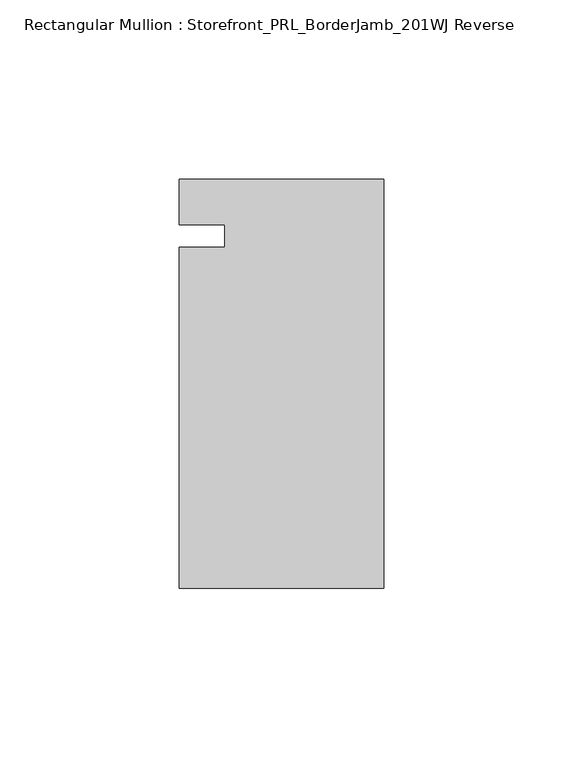
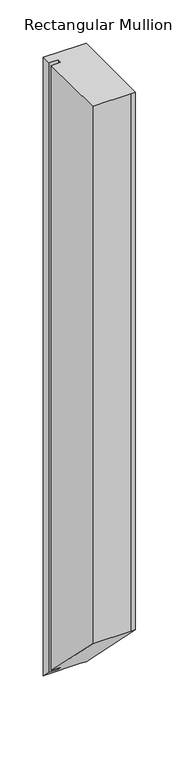
"""IFC4 building model written with IfcOpenShell, lengths in millimetres: member geometry, Rectangular Mullion : Storefront_PRL_BorderJamb_201WJ Reverse."""

from ifc_helpers import new_model, si_unit, origin, place, context, project, spatial, faceted_brep, source, transform, mapped, element, save


def rectangular_mullion_storefront_prl_borderjamb_201wj_reverse_74cff3a2(model_context):
    return source(origin(), model_context, "Body", "Brep", [
        faceted_brep([(-44.45, -3.175, 0.0), (-57.15, -3.175, 0.0), (-57.15, -98.425, 0.0), (-6.35, -98.425, 0.0), (0.0, -98.425, 0.0), (0.0, 15.875, 0.0), (-7.3958824, 15.875, 0.0), (-57.15, 15.875, 0.0), (-57.15, 3.175, 0.0), (-44.45, 3.175, 0.0), (-44.45, -3.175, -854.075), (-57.15, -3.175, -854.075), (-57.15, -98.425, -758.825), (-6.35, -98.425, -758.825), (0.0, -98.425, -758.825), (0.0, 15.875, -873.125), (-7.3958824, 15.875, -873.125), (-57.15, 15.875, -873.125), (-57.15, 3.175, -860.425), (-44.45, 3.175, -860.425)], [[[0, 1, 2, 3, 4, 5, 6, 7, 8, 9]], [[1, 0, 10, 11]], [[2, 1, 11, 12]], [[3, 2, 12, 13]], [[4, 3, 13, 14]], [[5, 4, 14, 15]], [[6, 5, 15, 16]], [[7, 6, 16, 17]], [[8, 7, 17, 18]], [[9, 8, 18, 19]], [[0, 9, 19, 10]], [[10, 19, 18, 17, 16, 15, 14, 13, 12, 11]]]),
    ])


if __name__ == "__main__":
    model = new_model("IFC4")
    model_context = context("Model", 3, world=origin())
    ifc_project = project(units=[si_unit("LENGTHUNIT", "METRE", prefix="MILLI")], contexts=[model_context])
    site = spatial("IfcSite", under=ifc_project)
    building = spatial("IfcBuilding", under=site)
    placement = place(None, origin())
    rectangular_mullion_storefront_prl_borderjamb_201wj_reverse_shape = rectangular_mullion_storefront_prl_borderjamb_201wj_reverse_74cff3a2(model_context)
    element("IfcMember", 1, ObjectType="Rectangular Mullion : Storefront_PRL_BorderJamb_201WJ Reverse", at=placement, inside=building, context=model_context, shape_type="MappedRepresentation", body=[
        mapped(rectangular_mullion_storefront_prl_borderjamb_201wj_reverse_shape, transform((0.0, 0.0, 0.0), x_axis=(1.0, 0.0, 0.0), y_axis=(0.0, 1.0, 0.0), z_axis=(0.0, 0.0, 1.0))),
    ])
    save(model, "model.ifc")
